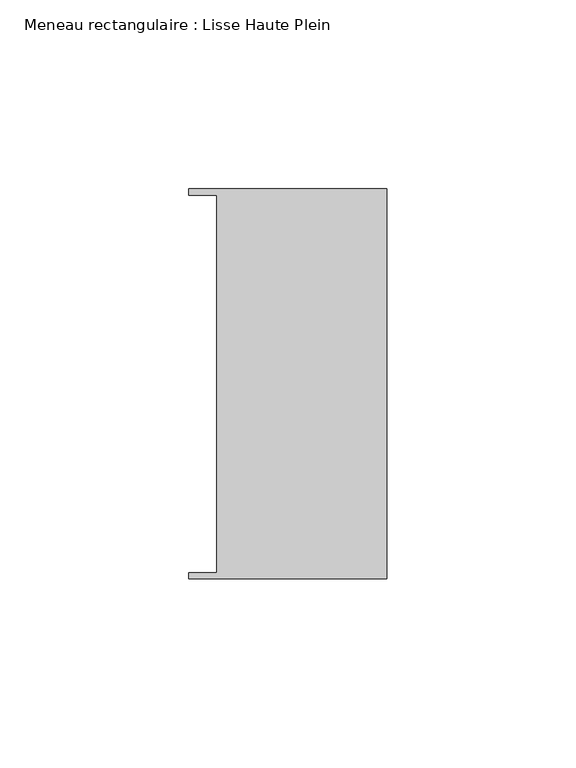
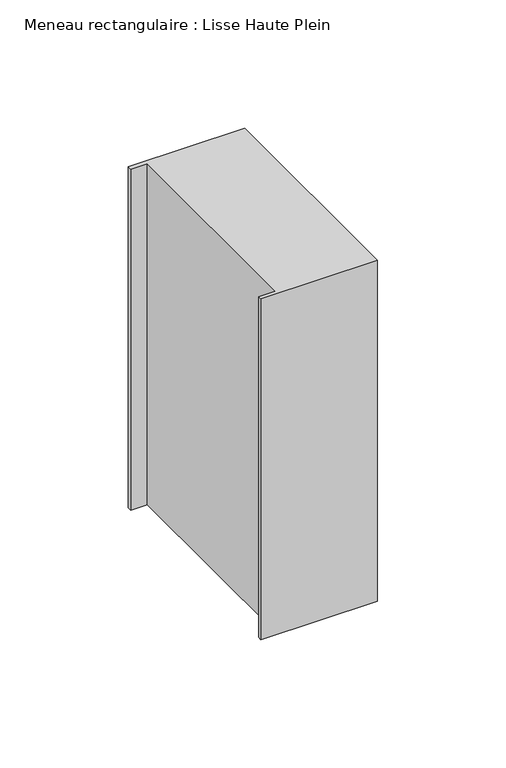
"""IFC4 building model written with IfcOpenShell, lengths in millimetres: member geometry, Meneau rectangulaire : Lisse Haute Plein."""

from ifc_helpers import new_model, si_unit, frame, origin, place, context, project, spatial, polyline, outline, extrude, source, transform, mapped, element, save


def meneau_rectangulaire_lisse_haute_plein_2207dc07(model_context):
    return source(origin(), model_context, "Body", "SweptSolid", [
        extrude(outline(polyline([(-44.9064331, 49.9174073), (-52.3, 49.9174073), (-52.3, 51.585934), (0.0, 51.585934), (0.0, -51.6011428), (-52.3, -51.6011428), (-52.3, -49.9174073), (-44.9064331, -49.9174073), (-44.9064331, 49.9174073)])), frame((0.0, 0.0, -161.9896591), z_axis=(0.0, 0.0, 1.0), x_axis=(1.0, 0.0, 0.0)), (0.0, 0.0, 1.0), 161.9896591),
    ])


if __name__ == "__main__":
    model = new_model("IFC4")
    model_context = context("Model", 3, world=origin())
    ifc_project = project(units=[si_unit("LENGTHUNIT", "METRE", prefix="MILLI")], contexts=[model_context])
    site = spatial("IfcSite", under=ifc_project)
    building = spatial("IfcBuilding", under=site)
    placement = place(None, origin())
    meneau_rectangulaire_lisse_haute_plein_shape = meneau_rectangulaire_lisse_haute_plein_2207dc07(model_context)
    element("IfcMember", 1, ObjectType="Meneau rectangulaire : Lisse Haute Plein", at=placement, inside=building, context=model_context, shape_type="MappedRepresentation", body=[
        mapped(meneau_rectangulaire_lisse_haute_plein_shape, transform((0.0, 0.0, 0.0), x_axis=(1.0, 0.0, 0.0), y_axis=(0.0, 1.0, 0.0), z_axis=(0.0, 0.0, 1.0))),
    ])
    save(model, "model.ifc")
